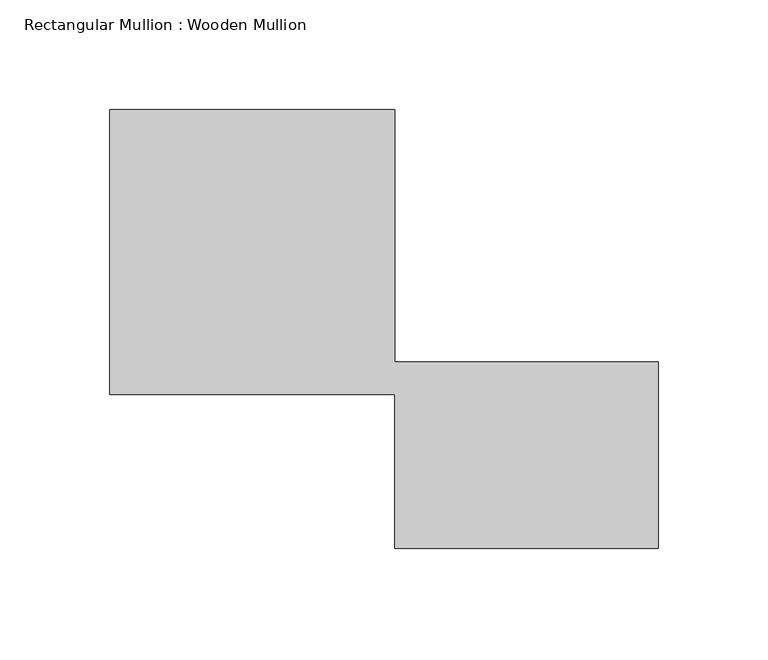
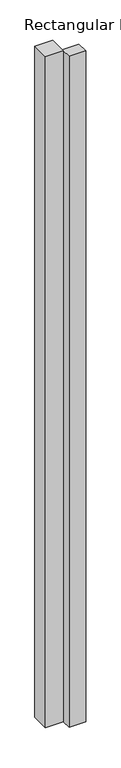
"""IFC4 building model written with IfcOpenShell, lengths in millimetres: member geometry, Rectangular Mullion : Wooden Mullion."""

from ifc_helpers import new_model, si_unit, frame, origin, place, context, project, spatial, polyline, outline, extrude, source, transform, mapped, element, save


def rectangular_mullion_wooden_mullion_8d013127(model_context):
    return source(origin(), model_context, "Body", "SweptSolid", [
        extrude(outline(polyline([(-120.0, -26.0137344), (-120.0, 43.9862656), (-250.0, 43.9862656), (-250.0, 173.9862656), (-120.0, 173.9862656), (-120.0, 58.9862656), (0.0, 58.9862656), (0.0, -26.0137344), (-120.0, -26.0137344)])), frame((0.0, 0.0, -5096.850943), z_axis=(0.0, 0.0, 1.0), x_axis=(1.0, 0.0, 0.0)), (0.0, 0.0, 1.0), 5096.850943),
    ])


if __name__ == "__main__":
    model = new_model("IFC4")
    model_context = context("Model", 3, world=origin())
    ifc_project = project(units=[si_unit("LENGTHUNIT", "METRE", prefix="MILLI")], contexts=[model_context])
    site = spatial("IfcSite", under=ifc_project)
    building = spatial("IfcBuilding", under=site)
    placement = place(None, origin())
    rectangular_mullion_wooden_mullion_shape = rectangular_mullion_wooden_mullion_8d013127(model_context)
    element("IfcMember", 1, ObjectType="Rectangular Mullion : Wooden Mullion", at=placement, inside=building, context=model_context, shape_type="MappedRepresentation", body=[
        mapped(rectangular_mullion_wooden_mullion_shape, transform((0.0, 0.0, 0.0), x_axis=(1.0, 0.0, 0.0), y_axis=(0.0, 1.0, 0.0), z_axis=(0.0, 0.0, 1.0))),
    ])
    save(model, "model.ifc")
